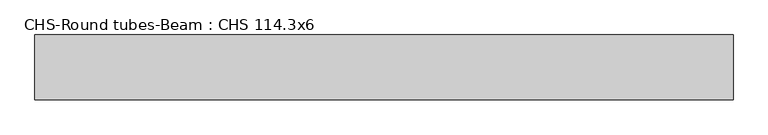
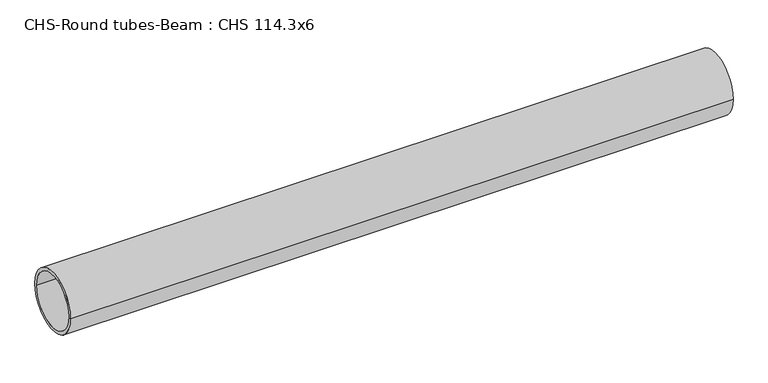
"""IFC4 building model written with IfcOpenShell, lengths in millimetres: beam geometry, CHS-Round tubes-Beam : CHS 114.3x6."""

from ifc_helpers import new_model, si_unit, point, frame, origin, origin_2d, place, context, project, spatial, circle_curve, trimmed, segment, composite_curve, outline, extrude, source, transform, mapped, element, save


def chs_round_tubes_beam_chs_114_3x6_d29052f5(model_context):
    return source(origin(), model_context, "Body", "SweptSolid", [
        extrude(outline(composite_curve([segment(trimmed(circle_curve(origin_2d(), 57.15), [point((57.15, 0.0))], [point((-57.15, 0.0))], False, "CARTESIAN"), True, "CONTINUOUS"), segment(trimmed(circle_curve(origin_2d(), 57.15), [point((-57.15, 0.0))], [point((57.15, 0.0))], False, "CARTESIAN"), True, "CONTINUOUS")], self_intersect=False), holes=[composite_curve([segment(trimmed(circle_curve(origin_2d(), 51.15), [point((51.15, 0.0))], [point((-51.15, 0.0))], True, "CARTESIAN"), True, "CONTINUOUS"), segment(trimmed(circle_curve(origin_2d(), 51.15), [point((-51.15, 0.0))], [point((51.15, 0.0))], True, "CARTESIAN"), True, "CONTINUOUS")], self_intersect=False)]), frame((-618.6435046, 0.0, 0.0), z_axis=(1.0, 0.0, 0.0), x_axis=(0.0, 1.0, 0.0)), (0.0, 0.0, 1.0), 1232.5523101),
    ])


if __name__ == "__main__":
    model = new_model("IFC4")
    model_context = context("Model", 3, world=origin())
    ifc_project = project(units=[si_unit("LENGTHUNIT", "METRE", prefix="MILLI")], contexts=[model_context])
    site = spatial("IfcSite", under=ifc_project)
    building = spatial("IfcBuilding", under=site)
    placement = place(None, origin())
    chs_round_tubes_beam_chs_114_3x6_shape = chs_round_tubes_beam_chs_114_3x6_d29052f5(model_context)
    element("IfcBeam", 1, ObjectType="CHS-Round tubes-Beam : CHS 114.3x6", at=placement, inside=building, context=model_context, shape_type="MappedRepresentation", body=[
        mapped(chs_round_tubes_beam_chs_114_3x6_shape, transform((0.0, 0.0, 0.0), x_axis=(1.0, 0.0, 0.0), y_axis=(0.0, 1.0, 0.0), z_axis=(0.0, 0.0, 1.0))),
    ])
    save(model, "model.ifc")
